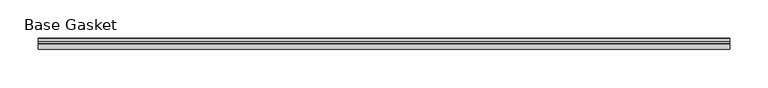
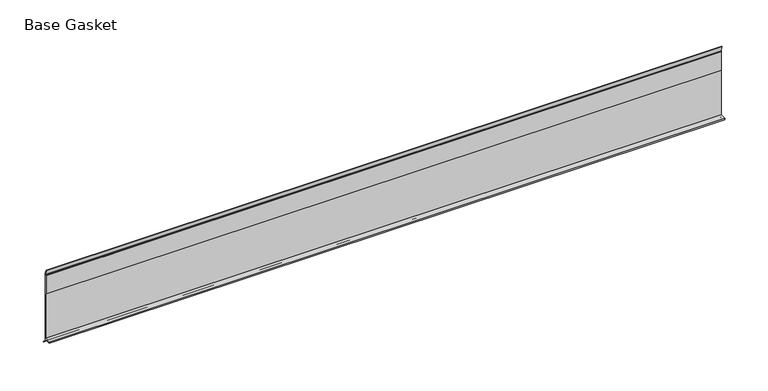
"""IFC4 building model written with IfcOpenShell, lengths in millimetres: furniture geometry, Base Gasket."""

import ifcopenshell
import ifcopenshell.guid

model = None  # the IFC model being written
_history = None  # IfcOwnerHistory: only IFC2X3 demands one
_inside = {}  # id of a spatial element -> (the spatial element, [elements in it])
_under = {}  # id of a project, library or spatial element -> (it, [spatial elements below it])
_declared = {}  # id of a project -> (the project, [libraries it declares])
_typed = {}  # id of a type object -> (the type object, [elements of that type])
_made_of = {}  # id of a material, layer set ... -> (it, [elements and type objects made of it])


def new_model(schema):
    """Start an empty IFC model of exactly this schema.

    Asked for "IFC4X3", IfcOpenShell would pick the latest addendum, in which some entities
    have other attributes; the version numbers below select the first issue.
    IFC2X3 requires an IfcOwnerHistory on every rooted entity: one is made here for all.
    """
    global model, _history
    if schema == "IFC4X3":
        model = ifcopenshell.file(schema_version=(4, 3, 0, 0))
    else:
        model = ifcopenshell.file(schema=schema)
    _inside.clear()
    _under.clear()
    _declared.clear()
    _typed.clear()
    _made_of.clear()
    _history = None
    if model.schema == "IFC2X3":
        org = make("IfcOrganization", Name="unknown")
        user = make(
            "IfcPersonAndOrganization",
            ThePerson=make("IfcPerson", FamilyName="unknown"),
            TheOrganization=org,
        )
        app = make(
            "IfcApplication",
            ApplicationDeveloper=org,
            Version="unknown",
            ApplicationFullName="unknown",
            ApplicationIdentifier="unknown",
        )
        _history = make(
            "IfcOwnerHistory",
            OwningUser=user,
            OwningApplication=app,
            ChangeAction="ADDED",
            CreationDate=0,
        )
    return model


def make(cls, **values):
    """One entity of the class cls with the attributes given. An attribute that is None is left unset."""
    return model.create_entity(
        cls, **{name: value for name, value in values.items() if value is not None}
    )


def rooted(cls, **values):
    """An entity with a GlobalId (a new one), such as an element, a storey or a relation."""
    return make(cls, GlobalId=ifcopenshell.guid.new(), OwnerHistory=_history, **values)


def si_unit(unit_type, name, prefix=None):
    """IfcSIUnit, for example si_unit("LENGTHUNIT", "METRE", prefix="MILLI")."""
    return make("IfcSIUnit", UnitType=unit_type, Prefix=prefix, Name=name)


def assignment(units):
    """IfcUnitAssignment: the units of a project."""
    return None if units is None else make("IfcUnitAssignment", Units=units)


def point(xyz):
    """IfcCartesianPoint."""
    return None if xyz is None else make("IfcCartesianPoint", Coordinates=xyz)


def direction(xyz):
    """IfcDirection."""
    return None if xyz is None else make("IfcDirection", DirectionRatios=xyz)


def frame(location, z_axis=None, x_axis=None):
    """IfcAxis2Placement3D, a coordinate frame: its origin and axes. An axis left out is left unset."""
    return make(
        "IfcAxis2Placement3D",
        Location=point(location),
        Axis=direction(z_axis),
        RefDirection=direction(x_axis),
    )


def origin():
    """The frame at (0, 0, 0) with its axes left unset."""
    return frame((0.0, 0.0, 0.0))


def place(relative_to, where):
    """IfcLocalPlacement: puts the frame where relative to a parent placement (None: the world)."""
    return make(
        "IfcLocalPlacement", PlacementRelTo=relative_to, RelativePlacement=where
    )


def context(
    kind, dimensions, precision=None, world=None, true_north=None, identifier=None
):
    """IfcGeometricRepresentationContext, for example the 3D "Model" context."""
    return make(
        "IfcGeometricRepresentationContext",
        ContextIdentifier=identifier,
        ContextType=kind,
        CoordinateSpaceDimension=dimensions,
        Precision=precision,
        WorldCoordinateSystem=world,
        TrueNorth=true_north,
    )


def project(units=None, contexts=None):
    """IfcProject with its units and contexts."""
    return rooted(
        "IfcProject",
        Name="project",
        RepresentationContexts=contexts,
        UnitsInContext=assignment(units),
    )


def spatial(cls, under=None, at=None, **own):
    """A site, building, storey or space (cls), placed at a placement, below another one or the project."""
    s = rooted(cls, ObjectPlacement=at, **own)
    if under is not None:
        _under.setdefault(under.id(), (under, []))[1].append(s)
    return s


def polyline(points):
    """IfcPolyline through the points."""
    return make("IfcPolyline", Points=[point(p) for p in points])


def outline(outer, holes=None, kind="AREA"):
    """IfcArbitraryClosedProfileDef: a profile drawn as a closed curve; with holes, ...WithVoids."""
    if holes is None:
        return make("IfcArbitraryClosedProfileDef", ProfileType=kind, OuterCurve=outer)
    return make(
        "IfcArbitraryProfileDefWithVoids",
        ProfileType=kind,
        OuterCurve=outer,
        InnerCurves=holes,
    )


def extrude(swept, where, along, depth):
    """IfcExtrudedAreaSolid: the profile swept, set in the frame where, extruded along a direction by depth."""
    return make(
        "IfcExtrudedAreaSolid",
        SweptArea=swept,
        Position=where,
        ExtrudedDirection=direction(along),
        Depth=depth,
    )


def shape(context_of_items, identifier, shape_type, items):
    """IfcShapeRepresentation: the items that make up one representation, for example the "Body"."""
    return make(
        "IfcShapeRepresentation",
        ContextOfItems=context_of_items,
        RepresentationIdentifier=identifier,
        RepresentationType=shape_type,
        Items=items,
    )


def source(mapping_origin, context_of_items, identifier, shape_type, items):
    """IfcRepresentationMap: a shape defined once, which mapped items show again and again."""
    return make(
        "IfcRepresentationMap",
        MappingOrigin=mapping_origin,
        MappedRepresentation=shape(context_of_items, identifier, shape_type, items),
    )


def transform(
    local_origin,
    x_axis=None,
    y_axis=None,
    z_axis=None,
    scale=None,
    scale2=None,
    scale3=None,
    uniform=True,
):
    """IfcCartesianTransformationOperator3D, or its non-uniform kind. x_axis, y_axis, z_axis: its Axis1, 2, 3."""
    if uniform:
        return make(
            "IfcCartesianTransformationOperator3D",
            Axis1=direction(x_axis),
            Axis2=direction(y_axis),
            LocalOrigin=point(local_origin),
            Scale=scale,
            Axis3=direction(z_axis),
        )
    return make(
        "IfcCartesianTransformationOperator3DnonUniform",
        Axis1=direction(x_axis),
        Axis2=direction(y_axis),
        LocalOrigin=point(local_origin),
        Scale=scale,
        Axis3=direction(z_axis),
        Scale2=scale2,
        Scale3=scale3,
    )


def mapped(mapping_source, mapping_target):
    """IfcMappedItem: shows the shape of a source again, moved by a transform."""
    return make(
        "IfcMappedItem", MappingSource=mapping_source, MappingTarget=mapping_target
    )


def made_of(thing, what):
    """Note that an element or type object is made of a material, layer set ...; save() writes the relation."""
    if what is not None:
        _made_of.setdefault(what.id(), (what, []))[1].append(thing)
    return thing


def element(
    cls,
    number,
    at=None,
    inside=None,
    cuts=None,
    type_object=None,
    material=None,
    context=None,
    identifier="Body",
    shape_type=None,
    held_by="IfcProductDefinitionShape",
    body=None,
    shapes=None,
    **own,
):
    """One element of the class cls, such as IfcWall. Its Tag is "e" and its number.

    at: its placement. inside: the storey or other place that contains it. cuts: it is an
    opening in that element (IfcRelVoidsElement). A single representation is given by context,
    identifier, shape_type and body (its items); several are given by shapes. held_by: the class
    of the entity that holds the representations. save() writes the other relations.
    """
    e = rooted(cls, Tag="e%d" % number, ObjectPlacement=at, **own)
    if body is not None:
        shapes = [shape(context, identifier, shape_type, body)]
    if shapes is not None:
        e.Representation = make(held_by, Representations=shapes)
    if inside is not None:
        _inside.setdefault(inside.id(), (inside, []))[1].append(e)
    if cuts is not None:
        rooted(
            "IfcRelVoidsElement", RelatingBuildingElement=cuts, RelatedOpeningElement=e
        )
    if type_object is not None:
        _typed.setdefault(type_object.id(), (type_object, []))[1].append(e)
    return made_of(e, material)


def aggregate(whole, parts):
    """IfcRelAggregates: a whole, such as a stair, and the parts it consists of."""
    return rooted("IfcRelAggregates", RelatingObject=whole, RelatedObjects=parts)


def save(model, path):
    """Write the relations noted so far, then the file.

    IfcRelAggregates (storeys below a building ...), IfcRelContainedInSpatialStructure (elements
    in a storey), IfcRelDefinesByType, IfcRelAssociatesMaterial and IfcRelDeclares: one each for
    every whole, place, type object, material and project.
    """
    for whole, parts in _under.values():
        aggregate(whole, parts)
    for where, things in _inside.values():
        rooted(
            "IfcRelContainedInSpatialStructure",
            RelatedElements=things,
            RelatingStructure=where,
        )
    for kind, things in _typed.values():
        rooted("IfcRelDefinesByType", RelatedObjects=things, RelatingType=kind)
    for what, things in _made_of.values():
        rooted("IfcRelAssociatesMaterial", RelatedObjects=things, RelatingMaterial=what)
    for by, libraries in _declared.values():
        rooted("IfcRelDeclares", RelatingContext=by, RelatedDefinitions=libraries)
    model.write(path)


def base_gasket_552193a3(model_context):
    return source(origin(), model_context, "Body", "SweptSolid", [
        extrude(outline(polyline([(3.7283812, 98.4568417), (3.7283812, 4.3498477), (7.4222115, 0.6560174), (7.8482342, 0.0), (6.8281054, 0.3520979), (2.2043812, 4.3498477), (2.1334222, 6.3818476), (-6.2405171, 6.3818476), (-6.2405171, 7.9398773), (2.2043812, 7.9398773), (2.2043812, 71.4693447), (1.4106313, 71.4693447), (1.4106313, 96.8693477), (2.2043812, 96.8693477), (2.2043812, 98.4568417), (0.6755308, 104.4162708), (0.6755308, 105.2002997), (1.1891543, 104.587663), (3.7283812, 98.4568417)])), frame((-1527.8982117, 0.0, 0.0), z_axis=(1.0, 0.0, 0.0), x_axis=(0.0, 1.0, 0.0)), (0.0, 0.0, 1.0), 900.0222326),
    ])


if __name__ == "__main__":
    model = new_model("IFC4")
    model_context = context("Model", 3, world=origin())
    ifc_project = project(units=[si_unit("LENGTHUNIT", "METRE", prefix="MILLI")], contexts=[model_context])
    site = spatial("IfcSite", under=ifc_project)
    building = spatial("IfcBuilding", under=site)
    placement = place(None, origin())
    base_gasket_shape = base_gasket_552193a3(model_context)
    element("IfcFurniture", 1, ObjectType="Base Gasket", at=placement, inside=building, context=model_context, shape_type="MappedRepresentation", body=[
        mapped(base_gasket_shape, transform((0.0, 0.0, 0.0), x_axis=(1.0, 0.0, 0.0), y_axis=(0.0, 1.0, 0.0), z_axis=(0.0, 0.0, 1.0))),
    ])
    save(model, "model.ifc")
